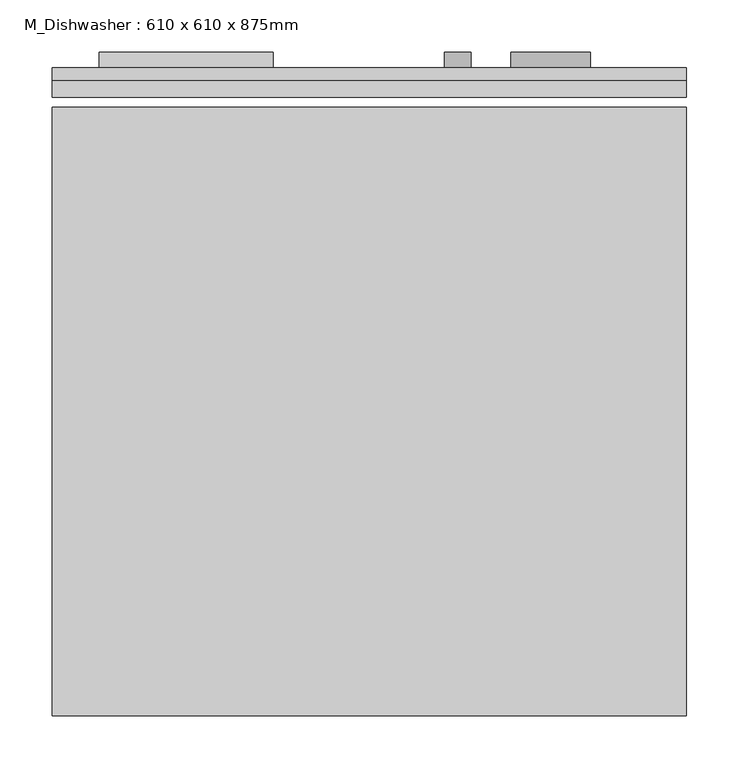
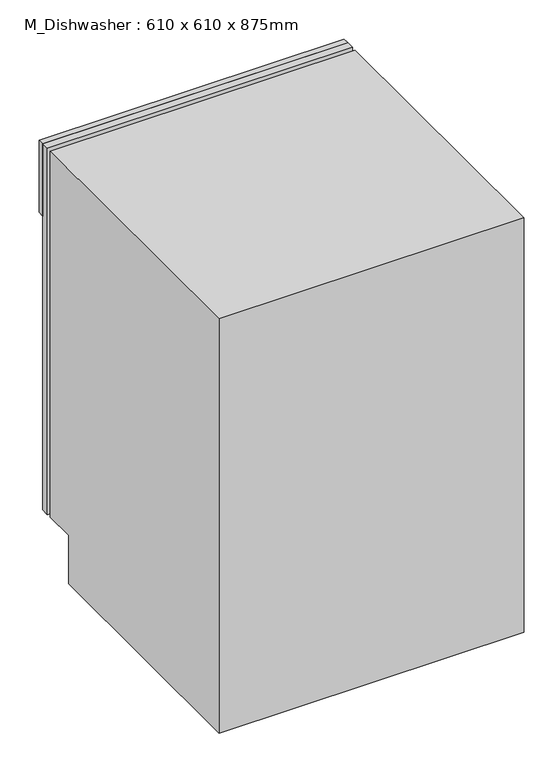
"""IFC4 building model written with IfcOpenShell, lengths in millimetres: proxy geometry, M_Dishwasher : 610 x 610 x 875mm."""

import ifcopenshell
import ifcopenshell.guid

model = None  # the IFC model being written
_history = None  # IfcOwnerHistory: only IFC2X3 demands one
_inside = {}  # id of a spatial element -> (the spatial element, [elements in it])
_under = {}  # id of a project, library or spatial element -> (it, [spatial elements below it])
_declared = {}  # id of a project -> (the project, [libraries it declares])
_typed = {}  # id of a type object -> (the type object, [elements of that type])
_made_of = {}  # id of a material, layer set ... -> (it, [elements and type objects made of it])


def new_model(schema):
    """Start an empty IFC model of exactly this schema.

    Asked for "IFC4X3", IfcOpenShell would pick the latest addendum, in which some entities
    have other attributes; the version numbers below select the first issue.
    IFC2X3 requires an IfcOwnerHistory on every rooted entity: one is made here for all.
    """
    global model, _history
    if schema == "IFC4X3":
        model = ifcopenshell.file(schema_version=(4, 3, 0, 0))
    else:
        model = ifcopenshell.file(schema=schema)
    _inside.clear()
    _under.clear()
    _declared.clear()
    _typed.clear()
    _made_of.clear()
    _history = None
    if model.schema == "IFC2X3":
        org = make("IfcOrganization", Name="unknown")
        user = make(
            "IfcPersonAndOrganization",
            ThePerson=make("IfcPerson", FamilyName="unknown"),
            TheOrganization=org,
        )
        app = make(
            "IfcApplication",
            ApplicationDeveloper=org,
            Version="unknown",
            ApplicationFullName="unknown",
            ApplicationIdentifier="unknown",
        )
        _history = make(
            "IfcOwnerHistory",
            OwningUser=user,
            OwningApplication=app,
            ChangeAction="ADDED",
            CreationDate=0,
        )
    return model


def make(cls, **values):
    """One entity of the class cls with the attributes given. An attribute that is None is left unset."""
    return model.create_entity(
        cls, **{name: value for name, value in values.items() if value is not None}
    )


def rooted(cls, **values):
    """An entity with a GlobalId (a new one), such as an element, a storey or a relation."""
    return make(cls, GlobalId=ifcopenshell.guid.new(), OwnerHistory=_history, **values)


def si_unit(unit_type, name, prefix=None):
    """IfcSIUnit, for example si_unit("LENGTHUNIT", "METRE", prefix="MILLI")."""
    return make("IfcSIUnit", UnitType=unit_type, Prefix=prefix, Name=name)


def assignment(units):
    """IfcUnitAssignment: the units of a project."""
    return None if units is None else make("IfcUnitAssignment", Units=units)


def point(xyz):
    """IfcCartesianPoint."""
    return None if xyz is None else make("IfcCartesianPoint", Coordinates=xyz)


def direction(xyz):
    """IfcDirection."""
    return None if xyz is None else make("IfcDirection", DirectionRatios=xyz)


def frame(location, z_axis=None, x_axis=None):
    """IfcAxis2Placement3D, a coordinate frame: its origin and axes. An axis left out is left unset."""
    return make(
        "IfcAxis2Placement3D",
        Location=point(location),
        Axis=direction(z_axis),
        RefDirection=direction(x_axis),
    )


def frame_2d(location, x_axis=None):
    """IfcAxis2Placement2D, a coordinate frame in the plane: its origin and x axis."""
    return make(
        "IfcAxis2Placement2D", Location=point(location), RefDirection=direction(x_axis)
    )


def origin():
    """The frame at (0, 0, 0) with its axes left unset."""
    return frame((0.0, 0.0, 0.0))


def place(relative_to, where):
    """IfcLocalPlacement: puts the frame where relative to a parent placement (None: the world)."""
    return make(
        "IfcLocalPlacement", PlacementRelTo=relative_to, RelativePlacement=where
    )


def context(
    kind, dimensions, precision=None, world=None, true_north=None, identifier=None
):
    """IfcGeometricRepresentationContext, for example the 3D "Model" context."""
    return make(
        "IfcGeometricRepresentationContext",
        ContextIdentifier=identifier,
        ContextType=kind,
        CoordinateSpaceDimension=dimensions,
        Precision=precision,
        WorldCoordinateSystem=world,
        TrueNorth=true_north,
    )


def project(units=None, contexts=None):
    """IfcProject with its units and contexts."""
    return rooted(
        "IfcProject",
        Name="project",
        RepresentationContexts=contexts,
        UnitsInContext=assignment(units),
    )


def spatial(cls, under=None, at=None, **own):
    """A site, building, storey or space (cls), placed at a placement, below another one or the project."""
    s = rooted(cls, ObjectPlacement=at, **own)
    if under is not None:
        _under.setdefault(under.id(), (under, []))[1].append(s)
    return s


def polyline(points):
    """IfcPolyline through the points."""
    return make("IfcPolyline", Points=[point(p) for p in points])


def circle_curve(where, radius):
    """IfcCircle in the frame where."""
    return make("IfcCircle", Position=where, Radius=radius)


def trimmed(basis, trim1, trim2, sense, master):
    """IfcTrimmedCurve: the piece of a basis curve between two trims."""
    return make(
        "IfcTrimmedCurve",
        BasisCurve=basis,
        Trim1=trim1,
        Trim2=trim2,
        SenseAgreement=sense,
        MasterRepresentation=master,
    )


def segment(curve, same_sense, transition):
    """IfcCompositeCurveSegment."""
    return make(
        "IfcCompositeCurveSegment",
        Transition=transition,
        SameSense=same_sense,
        ParentCurve=curve,
    )


def composite_curve(segments, self_intersect=None):
    """IfcCompositeCurve: segments joined end to end."""
    return make("IfcCompositeCurve", Segments=segments, SelfIntersect=self_intersect)


def outline(outer, holes=None, kind="AREA"):
    """IfcArbitraryClosedProfileDef: a profile drawn as a closed curve; with holes, ...WithVoids."""
    if holes is None:
        return make("IfcArbitraryClosedProfileDef", ProfileType=kind, OuterCurve=outer)
    return make(
        "IfcArbitraryProfileDefWithVoids",
        ProfileType=kind,
        OuterCurve=outer,
        InnerCurves=holes,
    )


def extrude(swept, where, along, depth):
    """IfcExtrudedAreaSolid: the profile swept, set in the frame where, extruded along a direction by depth."""
    return make(
        "IfcExtrudedAreaSolid",
        SweptArea=swept,
        Position=where,
        ExtrudedDirection=direction(along),
        Depth=depth,
    )


def shape(context_of_items, identifier, shape_type, items):
    """IfcShapeRepresentation: the items that make up one representation, for example the "Body"."""
    return make(
        "IfcShapeRepresentation",
        ContextOfItems=context_of_items,
        RepresentationIdentifier=identifier,
        RepresentationType=shape_type,
        Items=items,
    )


def source(mapping_origin, context_of_items, identifier, shape_type, items):
    """IfcRepresentationMap: a shape defined once, which mapped items show again and again."""
    return make(
        "IfcRepresentationMap",
        MappingOrigin=mapping_origin,
        MappedRepresentation=shape(context_of_items, identifier, shape_type, items),
    )


def transform(
    local_origin,
    x_axis=None,
    y_axis=None,
    z_axis=None,
    scale=None,
    scale2=None,
    scale3=None,
    uniform=True,
):
    """IfcCartesianTransformationOperator3D, or its non-uniform kind. x_axis, y_axis, z_axis: its Axis1, 2, 3."""
    if uniform:
        return make(
            "IfcCartesianTransformationOperator3D",
            Axis1=direction(x_axis),
            Axis2=direction(y_axis),
            LocalOrigin=point(local_origin),
            Scale=scale,
            Axis3=direction(z_axis),
        )
    return make(
        "IfcCartesianTransformationOperator3DnonUniform",
        Axis1=direction(x_axis),
        Axis2=direction(y_axis),
        LocalOrigin=point(local_origin),
        Scale=scale,
        Axis3=direction(z_axis),
        Scale2=scale2,
        Scale3=scale3,
    )


def mapped(mapping_source, mapping_target):
    """IfcMappedItem: shows the shape of a source again, moved by a transform."""
    return make(
        "IfcMappedItem", MappingSource=mapping_source, MappingTarget=mapping_target
    )


def made_of(thing, what):
    """Note that an element or type object is made of a material, layer set ...; save() writes the relation."""
    if what is not None:
        _made_of.setdefault(what.id(), (what, []))[1].append(thing)
    return thing


def element(
    cls,
    number,
    at=None,
    inside=None,
    cuts=None,
    type_object=None,
    material=None,
    context=None,
    identifier="Body",
    shape_type=None,
    held_by="IfcProductDefinitionShape",
    body=None,
    shapes=None,
    **own,
):
    """One element of the class cls, such as IfcWall. Its Tag is "e" and its number.

    at: its placement. inside: the storey or other place that contains it. cuts: it is an
    opening in that element (IfcRelVoidsElement). A single representation is given by context,
    identifier, shape_type and body (its items); several are given by shapes. held_by: the class
    of the entity that holds the representations. save() writes the other relations.
    """
    e = rooted(cls, Tag="e%d" % number, ObjectPlacement=at, **own)
    if body is not None:
        shapes = [shape(context, identifier, shape_type, body)]
    if shapes is not None:
        e.Representation = make(held_by, Representations=shapes)
    if inside is not None:
        _inside.setdefault(inside.id(), (inside, []))[1].append(e)
    if cuts is not None:
        rooted(
            "IfcRelVoidsElement", RelatingBuildingElement=cuts, RelatedOpeningElement=e
        )
    if type_object is not None:
        _typed.setdefault(type_object.id(), (type_object, []))[1].append(e)
    return made_of(e, material)


def aggregate(whole, parts):
    """IfcRelAggregates: a whole, such as a stair, and the parts it consists of."""
    return rooted("IfcRelAggregates", RelatingObject=whole, RelatedObjects=parts)


def save(model, path):
    """Write the relations noted so far, then the file.

    IfcRelAggregates (storeys below a building ...), IfcRelContainedInSpatialStructure (elements
    in a storey), IfcRelDefinesByType, IfcRelAssociatesMaterial and IfcRelDeclares: one each for
    every whole, place, type object, material and project.
    """
    for whole, parts in _under.values():
        aggregate(whole, parts)
    for where, things in _inside.values():
        rooted(
            "IfcRelContainedInSpatialStructure",
            RelatedElements=things,
            RelatingStructure=where,
        )
    for kind, things in _typed.values():
        rooted("IfcRelDefinesByType", RelatedObjects=things, RelatingType=kind)
    for what, things in _made_of.values():
        rooted("IfcRelAssociatesMaterial", RelatedObjects=things, RelatingMaterial=what)
    for by, libraries in _declared.values():
        rooted("IfcRelDeclares", RelatingContext=by, RelatedDefinitions=libraries)
    model.write(path)


def m_dishwasher_610_x_610_x_875mm_75336c20(model_context):
    return source(origin(), model_context, "Body", "SweptSolid", [
        extrude(outline(polyline([(687.5174685, 38.3504352), (687.5174685, 22.4754352), (77.5174685, 22.4754352), (77.5174685, 38.3504352), (687.5174685, 38.3504352)])), frame((0.0, 0.0, 101.6), z_axis=(0.0, 0.0, 1.0), x_axis=(1.0, 0.0, 0.0)), (0.0, 0.0, 1.0), 773.4),
        extrude(outline(polyline([(687.5174685, 38.3504352), (77.5174685, 38.3504352), (77.5174685, 51.0504352), (687.5174685, 51.0504352), (687.5174685, 38.3504352)])), frame((0.0, 0.0, 722.6), z_axis=(0.0, 0.0, 1.0), x_axis=(1.0, 0.0, 0.0)), (0.0, 0.0, 1.0), 152.4),
        extrude(outline(polyline([(-571.6495648, 0.0), (-571.6495648, 875.0), (12.9504352, 875.0), (12.9504352, 101.6), (-50.5495648, 101.6), (-50.5495648, 0.0), (-571.6495648, 0.0)])), frame((77.5174685, 0.0, 0.0), z_axis=(1.0, 0.0, 0.0), x_axis=(0.0, 1.0, 0.0)), (0.0, 0.0, 1.0), 610.0),
        extrude(outline(polyline([(290.2347603, 66.0504352), (290.2347603, 51.0504352), (122.8347603, 51.0504352), (122.8347603, 66.0504352), (290.2347603, 66.0504352)])), frame((0.0, 0.0, 790.6663551), z_axis=(0.0, 0.0, 1.0), x_axis=(1.0, 0.0, 0.0)), (0.0, 0.0, 1.0), 50.8),
        extrude(outline(composite_curve([segment(trimmed(circle_curve(frame_2d((790.6663551, 467.3393328)), 12.7), [point((790.6663551, 480.0393328))], [point((790.6663551, 454.6393328))], False, "CARTESIAN"), True, "CONTINUOUS"), segment(trimmed(circle_curve(frame_2d((790.6663551, 467.3393328)), 12.7), [point((790.6663551, 454.6393328))], [point((790.6663551, 480.0393328))], False, "CARTESIAN"), True, "CONTINUOUS")], self_intersect=False)), frame((0.0, 51.0504352, 0.0), z_axis=(0.0, 1.0, 0.0), x_axis=(0.0, 0.0, 1.0)), (0.0, 0.0, 1.0), 15.0),
        extrude(outline(composite_curve([segment(trimmed(circle_curve(frame_2d((790.6663551, 556.7855874)), 38.1), [point((790.6663551, 594.8855874))], [point((790.6663551, 518.6855874))], False, "CARTESIAN"), True, "CONTINUOUS"), segment(trimmed(circle_curve(frame_2d((790.6663551, 556.7855874)), 38.1), [point((790.6663551, 518.6855874))], [point((790.6663551, 594.8855874))], False, "CARTESIAN"), True, "CONTINUOUS")], self_intersect=False)), frame((0.0, 51.0504352, 0.0), z_axis=(0.0, 1.0, 0.0), x_axis=(0.0, 0.0, 1.0)), (0.0, 0.0, 1.0), 15.0),
    ])


if __name__ == "__main__":
    model = new_model("IFC4")
    model_context = context("Model", 3, world=origin())
    ifc_project = project(units=[si_unit("LENGTHUNIT", "METRE", prefix="MILLI")], contexts=[model_context])
    site = spatial("IfcSite", under=ifc_project)
    building = spatial("IfcBuilding", under=site)
    placement = place(None, origin())
    m_dishwasher_610_x_610_x_875mm_shape = m_dishwasher_610_x_610_x_875mm_75336c20(model_context)
    element("IfcBuildingElementProxy", 1, Name="M_Dishwasher : 610 x 610 x 875mm", ObjectType="M_Dishwasher : 610 x 610 x 875mm", at=placement, inside=building, context=model_context, shape_type="MappedRepresentation", body=[
        mapped(m_dishwasher_610_x_610_x_875mm_shape, transform((0.0, 0.0, 0.0), x_axis=(1.0, 0.0, 0.0), y_axis=(0.0, 1.0, 0.0), z_axis=(0.0, 0.0, 1.0))),
    ])
    save(model, "model.ifc")
